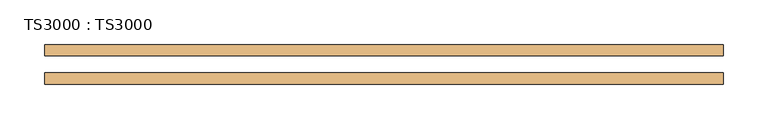
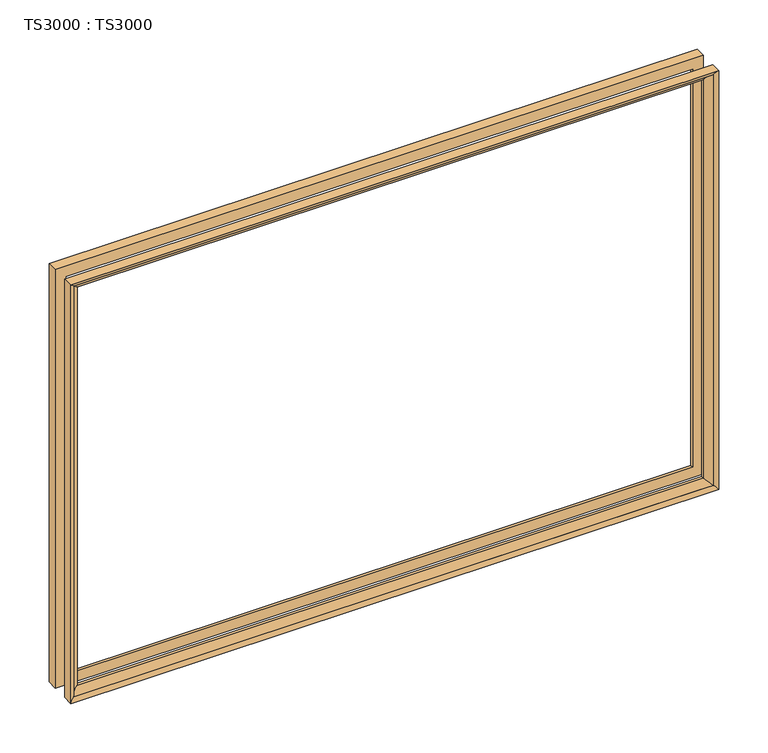
"""IFC4 building model written with IfcOpenShell, lengths in millimetres: door geometry, TS3000 : TS3000."""

from ifc_helpers import new_model, si_unit, frame, origin, place, context, project, spatial, polyline, ellipse_curve, source, transform, mapped, element, save
from ifc_brep_helpers import plane_surface, revolved_surface, advanced_brep


def ts3000_ts3000_1b48b864(model_context):
    return source(origin(), model_context, "Body", "AdvancedBrep", [
        advanced_brep(
        [(889.0, -31.75, 1905.0), (889.0, -44.4610047, 1905.0), (889.0, -44.4610047, 1384.3), (889.0, -31.75, 1384.3), (876.2912454, -34.925, 1892.2912454), (876.2912454, -31.75, 1892.2912454), (876.2912454, -31.75, 1397.0087546), (876.2912454, -34.925, 1397.0087546), (884.1328423, -41.275, 1900.1328423), (884.1328423, -41.275, 1389.1671577), (127.0, -44.4610047, 1384.3), (127.0, -31.75, 1384.3), (139.7087546, -31.75, 1397.0087546), (139.7087546, -34.925, 1397.0087546), (131.8671577, -41.275, 1389.1671577), (127.0, -44.4610047, 1905.0), (127.0, -31.75, 1905.0), (139.7087546, -31.75, 1892.2912454), (139.7087546, -34.925, 1892.2912454), (131.8671577, -41.275, 1900.1328423)],
        [
            (0, 1),
            (1, 2),
            (2, 3),
            (3, 0),
            (4, 5),
            (5, 6),
            (6, 7),
            (7, 4),
            (8, 4, ellipse_curve(frame((872.8743353, -47.1613154, 1888.8743353), z_axis=(-0.7071067811865475, 0.0, 0.7071067811865475), x_axis=(-0.7071067811865474, 0.0, -0.7071067811865476)), 17.9667854, 12.7044358)),
            (7, 9, ellipse_curve(frame((872.8743353, -47.1613154, 1400.4256647), z_axis=(-0.7071067811865475, 0.0, -0.7071067811865475), x_axis=(0.7071067811865474, 0.0, -0.7071067811865476)), 17.9667854, 12.7044358)),
            (9, 8),
            (1, 8, ellipse_curve(frame((881.7585588, -50.2128202, 1897.7585588), z_axis=(-0.7071067811865475, 0.0, 0.7071067811865475), x_axis=(-0.7071067811865474, 0.0, -0.7071067811865476)), 13.0783678, 9.2478026)),
            (9, 2, ellipse_curve(frame((881.7585588, -50.2128202, 1391.5414412), z_axis=(-0.7071067811865475, 0.0, -0.7071067811865475), x_axis=(0.7071067811865474, 0.0, -0.7071067811865476)), 13.0783678, 9.2478026)),
            (2, 10),
            (10, 11),
            (11, 3),
            (6, 12),
            (12, 13),
            (13, 7),
            (13, 14, ellipse_curve(frame((143.1256647, -47.1613154, 1400.4256647), z_axis=(-0.7071067811865475, 0.0, 0.7071067811865475), x_axis=(-0.7071067811865476, 0.0, -0.7071067811865474)), 17.9667854, 12.7044358)),
            (14, 9),
            (14, 10, ellipse_curve(frame((134.2414412, -50.2128202, 1391.5414412), z_axis=(-0.7071067811865475, 0.0, 0.7071067811865475), x_axis=(-0.7071067811865476, 0.0, -0.7071067811865474)), 13.0783678, 9.2478026)),
            (10, 15),
            (15, 16),
            (16, 11),
            (12, 17),
            (17, 18),
            (18, 13),
            (18, 19, ellipse_curve(frame((143.1256647, -47.1613154, 1888.8743353), z_axis=(0.7071067811865475, 0.0, 0.7071067811865475), x_axis=(-0.7071067811865474, 0.0, 0.7071067811865476)), 17.9667854, 12.7044358)),
            (19, 14),
            (19, 15, ellipse_curve(frame((134.2414412, -50.2128202, 1897.7585588), z_axis=(0.7071067811865475, 0.0, 0.7071067811865475), x_axis=(-0.7071067811865474, 0.0, 0.7071067811865476)), 13.0783678, 9.2478026)),
            (15, 1),
            (0, 16),
            (5, 17),
            (4, 18),
            (8, 19),
        ],
        [
            plane_surface(frame((889.0, -44.4610047, 1905.0), z_axis=(1.0, 0.0, 0.0), x_axis=(0.0, 0.0, -1.0))),
            plane_surface(frame((876.2912454, -31.75, 1892.2912454), z_axis=(-1.0, 0.0, 0.0), x_axis=(0.0, 0.0, -1.0))),
            revolved_surface(polyline([(860.1698994999999, -47.1613154, 1387.7212289075364), (860.1698994999999, -47.1613154, 1901.5787710924635)]), (872.8743353, -47.1613154, 1905.0), (0.0, 0.0, -1.0)),
            revolved_surface(polyline([(872.5107562, -50.2128202, 1382.2936386417682), (872.5107562, -50.2128202, 1907.0063613582317)]), (881.7585588, -50.2128202, 1905.0), (0.0, 0.0, -1.0)),
            plane_surface(frame((889.0, -44.4610047, 1384.3), z_axis=(0.0, 0.0, -1.0), x_axis=(-1.0, 0.0, 0.0))),
            plane_surface(frame((876.2912454, -31.75, 1397.0087546), z_axis=(0.0, 0.0, 1.0), x_axis=(-1.0, 0.0, 0.0))),
            revolved_surface(polyline([(130.4212289075366, -47.1613154, 1413.1301005), (885.5787710924634, -47.1613154, 1413.1301005)]), (889.0, -47.1613154, 1400.4256647), (-1.0, 0.0, 0.0)),
            revolved_surface(polyline([(124.99363864176826, -50.2128202, 1400.7892438), (891.0063613582317, -50.2128202, 1400.7892438)]), (889.0, -50.2128202, 1391.5414412), (-1.0, 0.0, 0.0)),
            plane_surface(frame((127.0, -44.4610047, 1384.3), z_axis=(-1.0, 0.0, 0.0), x_axis=(0.0, 0.0, 1.0))),
            plane_surface(frame((139.7087546, -31.75, 1397.0087546), z_axis=(1.0, 0.0, 0.0), x_axis=(0.0, 0.0, 1.0))),
            revolved_surface(polyline([(155.8301005, -47.1613154, 1901.5787710924633), (155.8301005, -47.1613154, 1387.7212289075364)]), (143.1256647, -47.1613154, 1384.3), (0.0, 0.0, 1.0)),
            revolved_surface(polyline([(143.4892438, -50.2128202, 1907.0063613582317), (143.4892438, -50.2128202, 1382.2936386417682)]), (134.2414412, -50.2128202, 1384.3), (0.0, 0.0, 1.0)),
            plane_surface(frame((127.0, -44.4610047, 1905.0), z_axis=(0.0, 0.0, 1.0), x_axis=(1.0, 0.0, 0.0))),
            plane_surface(frame((127.0, -31.75, 1905.0), z_axis=(0.0, 1.0, 0.0), x_axis=(1.0, 0.0, 0.0))),
            plane_surface(frame((139.7087546, -31.75, 1892.2912454), z_axis=(0.0, 0.0, -1.0), x_axis=(1.0, 0.0, 0.0))),
            revolved_surface(polyline([(885.5787710924634, -47.1613154, 1876.1698995), (130.42122890753654, -47.1613154, 1876.1698995)]), (127.0, -47.1613154, 1888.8743353), (1.0, 0.0, 0.0)),
            revolved_surface(polyline([(891.0063613582317, -50.2128202, 1888.5107561999998), (124.99363864176821, -50.2128202, 1888.5107561999998)]), (127.0, -50.2128202, 1897.7585588), (1.0, 0.0, 0.0)),
        ],
        [
            (0, [[1, 2, 3, 4]]),
            (1, [[5, 6, 7, 8]]),
            (2, [[9, -8, 10, 11]]),
            (3, [[12, -11, 13, -2]]),
            (4, [[-3, 14, 15, 16]]),
            (5, [[-7, 17, 18, 19]]),
            (6, [[-10, -19, 20, 21]]),
            (7, [[-13, -21, 22, -14]]),
            (8, [[-15, 23, 24, 25]]),
            (9, [[-18, 26, 27, 28]]),
            (10, [[-20, -28, 29, 30]]),
            (11, [[-22, -30, 31, -23]]),
            (12, [[-24, 32, -1, 33]]),
            (13, [[-16, -25, -33, -4], [34, -26, -17, -6]]),
            (14, [[-27, -34, -5, 35]]),
            (15, [[-29, -35, -9, 36]]),
            (16, [[-31, -36, -12, -32]]),
        ],
    ),
        advanced_brep(
        [(884.1328423, -3.175, 1900.1328423), (889.0, 0.0110047, 1905.0), (889.0, 0.0110047, 1384.3), (884.1328423, -3.175, 1389.1671577), (876.2912454, -9.525, 1892.2912454), (876.2912454, -9.525, 1397.0087546), (876.2912454, -12.7, 1892.2912454), (876.2912454, -12.7, 1397.0087546), (889.0, -12.7, 1905.0), (889.0, -12.7, 1384.3), (127.0, 0.0110047, 1384.3), (131.8671577, -3.175, 1389.1671577), (139.7087546, -9.525, 1397.0087546), (139.7087546, -12.7, 1397.0087546), (127.0, -12.7, 1384.3), (127.0, 0.0110047, 1905.0), (131.8671577, -3.175, 1900.1328423), (139.7087546, -9.525, 1892.2912454), (139.7087546, -12.7, 1892.2912454), (127.0, -12.7, 1905.0)],
        [
            (0, 1, ellipse_curve(frame((881.7585588, 5.7628202, 1897.7585588), z_axis=(-0.7071067811865475, 0.0, 0.7071067811865475), x_axis=(-0.7071067811865474, 0.0, -0.7071067811865476)), 13.0783678, 9.2478026)),
            (1, 2),
            (2, 3, ellipse_curve(frame((881.7585588, 5.7628202, 1391.5414412), z_axis=(-0.7071067811865475, 0.0, -0.7071067811865475), x_axis=(0.7071067811865474, 0.0, -0.7071067811865476)), 13.0783678, 9.2478026)),
            (3, 0),
            (4, 0, ellipse_curve(frame((872.8743353, 2.7113154, 1888.8743353), z_axis=(-0.7071067811865475, 0.0, 0.7071067811865475), x_axis=(-0.7071067811865474, 0.0, -0.7071067811865476)), 17.9667854, 12.7044358)),
            (3, 5, ellipse_curve(frame((872.8743353, 2.7113154, 1400.4256647), z_axis=(-0.7071067811865475, 0.0, -0.7071067811865475), x_axis=(0.7071067811865474, 0.0, -0.7071067811865476)), 17.9667854, 12.7044358)),
            (5, 4),
            (6, 4),
            (5, 7),
            (7, 6),
            (1, 8),
            (8, 9),
            (9, 2),
            (2, 10),
            (10, 11, ellipse_curve(frame((134.2414412, 5.7628202, 1391.5414412), z_axis=(-0.7071067811865475, 0.0, 0.7071067811865475), x_axis=(-0.7071067811865476, 0.0, -0.7071067811865474)), 13.0783678, 9.2478026)),
            (11, 3),
            (11, 12, ellipse_curve(frame((143.1256647, 2.7113154, 1400.4256647), z_axis=(-0.7071067811865475, 0.0, 0.7071067811865475), x_axis=(-0.7071067811865476, 0.0, -0.7071067811865474)), 17.9667854, 12.7044358)),
            (12, 5),
            (12, 13),
            (13, 7),
            (9, 14),
            (14, 10),
            (10, 15),
            (15, 16, ellipse_curve(frame((134.2414412, 5.7628202, 1897.7585588), z_axis=(0.7071067811865475, 0.0, 0.7071067811865475), x_axis=(-0.7071067811865474, 0.0, 0.7071067811865476)), 13.0783678, 9.2478026)),
            (16, 11),
            (16, 17, ellipse_curve(frame((143.1256647, 2.7113154, 1888.8743353), z_axis=(0.7071067811865475, 0.0, 0.7071067811865475), x_axis=(-0.7071067811865474, 0.0, 0.7071067811865476)), 17.9667854, 12.7044358)),
            (17, 12),
            (17, 18),
            (18, 13),
            (14, 19),
            (19, 15),
            (15, 1),
            (0, 16),
            (4, 17),
            (6, 18),
            (8, 19),
        ],
        [
            revolved_surface(polyline([(872.5107562, 5.7628202, 1382.2936386417682), (872.5107562, 5.7628202, 1907.0063613582317)]), (881.7585588, 5.7628202, 1905.0), (0.0, 0.0, -1.0)),
            revolved_surface(polyline([(860.1698994999999, 2.7113154, 1387.7212289075364), (860.1698994999999, 2.7113154, 1901.5787710924635)]), (872.8743353, 2.7113154, 1905.0), (0.0, 0.0, -1.0)),
            plane_surface(frame((876.2912454, -9.525, 1892.2912454), z_axis=(-1.0, 0.0, 0.0), x_axis=(0.0, 0.0, -1.0))),
            plane_surface(frame((889.0, -12.7, 1905.0), z_axis=(1.0, 0.0, 0.0), x_axis=(0.0, 0.0, -1.0))),
            revolved_surface(polyline([(124.99363864176826, 5.7628202, 1400.7892438), (891.0063613582317, 5.7628202, 1400.7892438)]), (889.0, 5.7628202, 1391.5414412), (-1.0, 0.0, 0.0)),
            revolved_surface(polyline([(130.4212289075366, 2.7113154, 1413.1301005), (885.5787710924634, 2.7113154, 1413.1301005)]), (889.0, 2.7113154, 1400.4256647), (-1.0, 0.0, 0.0)),
            plane_surface(frame((876.2912454, -9.525, 1397.0087546), z_axis=(0.0, 0.0, 1.0), x_axis=(-1.0, 0.0, 0.0))),
            plane_surface(frame((889.0, -12.7, 1384.3), z_axis=(0.0, 0.0, -1.0), x_axis=(-1.0, 0.0, 0.0))),
            revolved_surface(polyline([(143.4892438, 5.7628202, 1907.0063613582317), (143.4892438, 5.7628202, 1382.2936386417682)]), (134.2414412, 5.7628202, 1384.3), (0.0, 0.0, 1.0)),
            revolved_surface(polyline([(155.8301005, 2.7113154, 1901.5787710924633), (155.8301005, 2.7113154, 1387.7212289075364)]), (143.1256647, 2.7113154, 1384.3), (0.0, 0.0, 1.0)),
            plane_surface(frame((139.7087546, -9.525, 1397.0087546), z_axis=(1.0, 0.0, 0.0), x_axis=(0.0, 0.0, 1.0))),
            plane_surface(frame((127.0, -12.7, 1384.3), z_axis=(-1.0, 0.0, 0.0), x_axis=(0.0, 0.0, 1.0))),
            revolved_surface(polyline([(891.0063613582317, 5.7628202, 1888.5107561999998), (124.99363864176821, 5.7628202, 1888.5107561999998)]), (127.0, 5.7628202, 1897.7585588), (1.0, 0.0, 0.0)),
            revolved_surface(polyline([(885.5787710924634, 2.7113154, 1876.1698995), (130.42122890753654, 2.7113154, 1876.1698995)]), (127.0, 2.7113154, 1888.8743353), (1.0, 0.0, 0.0)),
            plane_surface(frame((139.7087546, -9.525, 1892.2912454), z_axis=(0.0, 0.0, -1.0), x_axis=(1.0, 0.0, 0.0))),
            plane_surface(frame((139.7087546, -12.7, 1892.2912454), z_axis=(0.0, -1.0, 0.0), x_axis=(1.0, 0.0, 0.0))),
            plane_surface(frame((127.0, -12.7, 1905.0), z_axis=(0.0, 0.0, 1.0), x_axis=(1.0, 0.0, 0.0))),
        ],
        [
            (0, [[1, 2, 3, 4]]),
            (1, [[5, -4, 6, 7]]),
            (2, [[8, -7, 9, 10]]),
            (3, [[11, 12, 13, -2]]),
            (4, [[-3, 14, 15, 16]]),
            (5, [[-6, -16, 17, 18]]),
            (6, [[-9, -18, 19, 20]]),
            (7, [[-13, 21, 22, -14]]),
            (8, [[-15, 23, 24, 25]]),
            (9, [[-17, -25, 26, 27]]),
            (10, [[-19, -27, 28, 29]]),
            (11, [[-22, 30, 31, -23]]),
            (12, [[-24, 32, -1, 33]]),
            (13, [[-26, -33, -5, 34]]),
            (14, [[-28, -34, -8, 35]]),
            (15, [[36, -30, -21, -12], [-20, -29, -35, -10]]),
            (16, [[-31, -36, -11, -32]]),
        ],
    ),
    ])


if __name__ == "__main__":
    model = new_model("IFC4")
    model_context = context("Model", 3, world=origin())
    ifc_project = project(units=[si_unit("LENGTHUNIT", "METRE", prefix="MILLI")], contexts=[model_context])
    site = spatial("IfcSite", under=ifc_project)
    building = spatial("IfcBuilding", under=site)
    placement = place(None, origin())
    ts3000_ts3000_shape = ts3000_ts3000_1b48b864(model_context)
    element("IfcDoor", 1, ObjectType="TS3000 : TS3000", at=placement, inside=building, context=model_context, shape_type="MappedRepresentation", body=[
        mapped(ts3000_ts3000_shape, transform((0.0, 0.0, 0.0), x_axis=(1.0, 0.0, 0.0), y_axis=(0.0, 1.0, 0.0), z_axis=(0.0, 0.0, 1.0))),
    ])
    save(model, "model.ifc")
